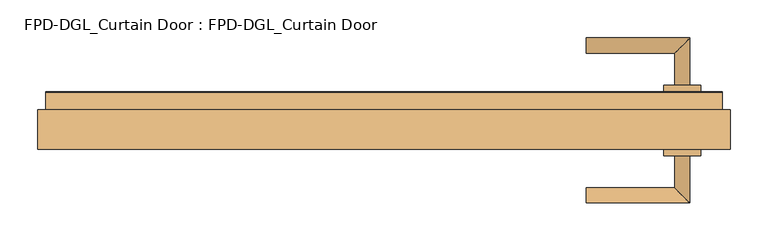
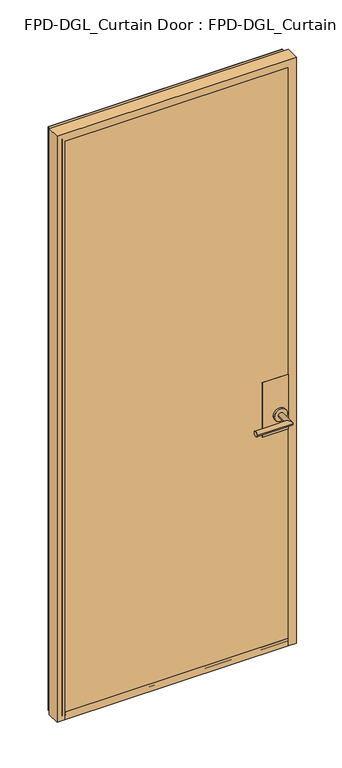
"""IFC4 building model written with IfcOpenShell, lengths in millimetres: door geometry, FPD-DGL_Curtain Door : FPD-DGL_Curtain Door."""

from ifc_helpers import new_model, si_unit, point, frame, frame_2d, origin, place, context, project, spatial, polyline, circle_curve, ellipse_curve, trimmed, segment, composite_curve, outline, extrude, source, transform, mapped, element, save
from ifc_brep_helpers import plane_surface, cylinder_surface, revolved_surface, advanced_brep


def fpd_dgl_curtain_door_fpd_dgl_curtain_door_c1a5e61f(model_context):
    return source(origin(), model_context, "Body", "SolidModel", [
        advanced_brep(
        [(267.6682236, 120.9184274, 965.2), (267.6682236, 140.990371, 965.2), (384.517864, 120.9184274, 965.2), (404.5898076, 140.990371, 965.2), (384.517864, 78.2841787, 965.2), (404.5898076, 78.2841787, 965.2)],
        [
            (0, 1, circle_curve(frame((267.6682236, 130.9543992, 965.2), z_axis=(-1.0, 0.0, 0.0), x_axis=(0.0, 1.0, 0.0)), 10.0359718)),
            (1, 0, circle_curve(frame((267.6682236, 130.9543992, 965.2), z_axis=(-1.0, 0.0, 0.0), x_axis=(0.0, 1.0, 0.0)), 10.0359718)),
            (0, 2),
            (2, 3, ellipse_curve(frame((394.5538358, 130.9543992, 965.2), z_axis=(-0.7071067811865464, 0.7071067811865488, 0.0), x_axis=(-0.7071067811865487, -0.7071067811865464, 0.0)), 14.1930074, 10.0359718)),
            (3, 1),
            (3, 2, ellipse_curve(frame((394.5538358, 130.9543992, 965.2), z_axis=(-0.7071067811865464, 0.7071067811865488, 0.0), x_axis=(-0.7071067811865487, -0.7071067811865464, 0.0)), 14.1930074, 10.0359718)),
            (4, 5, circle_curve(frame((394.5538358, 78.2841787, 965.2), z_axis=(0.0, -1.0, 0.0), x_axis=(1.0, 0.0, 0.0)), 10.0359718)),
            (5, 4, circle_curve(frame((394.5538358, 78.2841787, 965.2), z_axis=(0.0, -1.0, 0.0), x_axis=(1.0, 0.0, 0.0)), 10.0359718)),
            (2, 4),
            (5, 3),
        ],
        [
            plane_surface(frame((267.6682236, 130.9543992, 965.2), z_axis=(-1.0, 0.0, 0.0), x_axis=(0.0, 0.0, 1.0))),
            cylinder_surface(frame((267.6682236, 130.9543992, 965.2), z_axis=(-1.0, 0.0, 0.0), x_axis=(0.0, 1.0, 0.0)), 10.0359718),
            plane_surface(frame((394.5538358, 78.2841787, 965.2), z_axis=(0.0, -1.0, 0.0), x_axis=(0.0, 0.0, 1.0))),
            cylinder_surface(frame((394.5538358, 130.9543992, 965.2), z_axis=(0.0, 1.0, 0.0), x_axis=(1.0, 0.0, 0.0)), 10.0359718),
        ],
        [
            (0, [[1, 2]]),
            (1, [[-1, 3, 4, 5]]),
            (1, [[-2, -5, 6, -3]]),
            (2, [[7, 8]]),
            (3, [[-4, 9, -8, 10]]),
            (3, [[-6, -10, -7, -9]]),
        ],
    ),
        advanced_brep(
        [(384.517864, -14.5799066, 965.2), (404.5898076, -14.5799066, 965.2), (384.517864, -57.2141553, 965.2), (404.5898076, -77.2860989, 965.2), (267.6682236, -57.2141553, 965.2), (267.6682236, -77.2860989, 965.2)],
        [
            (0, 1, circle_curve(frame((394.5538358, -14.5799066, 965.2), z_axis=(0.0, 1.0, 0.0), x_axis=(1.0, 0.0, 0.0)), 10.0359718)),
            (1, 0, circle_curve(frame((394.5538358, -14.5799066, 965.2), z_axis=(0.0, 1.0, 0.0), x_axis=(1.0, 0.0, 0.0)), 10.0359718)),
            (0, 2),
            (2, 3, ellipse_curve(frame((394.5538358, -67.2501271, 965.2), z_axis=(0.7071067811865487, 0.7071067811865464, 0.0), x_axis=(-0.7071067811865464, 0.7071067811865487, 0.0)), 14.1930074, 10.0359718)),
            (3, 1),
            (3, 2, ellipse_curve(frame((394.5538358, -67.2501271, 965.2), z_axis=(0.7071067811865487, 0.7071067811865464, 0.0), x_axis=(-0.7071067811865464, 0.7071067811865487, 0.0)), 14.1930074, 10.0359718)),
            (4, 5, circle_curve(frame((267.6682236, -67.2501271, 965.2), z_axis=(-1.0, 0.0, 0.0), x_axis=(0.0, -1.0, 0.0)), 10.0359718)),
            (5, 4, circle_curve(frame((267.6682236, -67.2501271, 965.2), z_axis=(-1.0, 0.0, 0.0), x_axis=(0.0, -1.0, 0.0)), 10.0359718)),
            (2, 4),
            (5, 3),
        ],
        [
            plane_surface(frame((394.5538358, -14.5799066, 965.2), z_axis=(0.0, 1.0, 0.0), x_axis=(0.0, 0.0, 1.0))),
            cylinder_surface(frame((394.5538358, -14.5799066, 965.2), z_axis=(0.0, 1.0, 0.0), x_axis=(1.0, 0.0, 0.0)), 10.0359718),
            plane_surface(frame((267.6682236, -67.2501271, 965.2), z_axis=(-1.0, 0.0, 0.0), x_axis=(0.0, 0.0, 1.0))),
            cylinder_surface(frame((394.5538358, -67.2501271, 965.2), z_axis=(1.0, 0.0, 0.0), x_axis=(0.0, -1.0, 0.0)), 10.0359718),
        ],
        [
            (0, [[1, 2]]),
            (1, [[-1, 3, 4, 5]]),
            (1, [[-2, -5, 6, -3]]),
            (2, [[7, 8]]),
            (3, [[-4, 9, -8, 10]]),
            (3, [[-6, -10, -7, -9]]),
        ],
    ),
        extrude(outline(composite_curve([segment(trimmed(circle_curve(frame_2d((965.2, 394.5538358)), 24.60625), [point((965.2, 369.9475858))], [point((965.2, 419.1600858))], False, "CARTESIAN"), True, "CONTINUOUS"), segment(trimmed(circle_curve(frame_2d((965.2, 394.5538358)), 24.60625), [point((965.2, 419.1600858))], [point((965.2, 369.9475858))], False, "CARTESIAN"), True, "CONTINUOUS")], self_intersect=False)), frame((0.0, -14.5799066, 0.0), z_axis=(0.0, 1.0, 0.0), x_axis=(0.0, 0.0, 1.0)), (0.0, 0.0, 1.0), 8.3298107),
        extrude(outline(composite_curve([segment(trimmed(circle_curve(frame_2d((965.2, 394.5538358)), 24.60625), [point((965.2, 369.9475858))], [point((965.2, 419.1600858))], False, "CARTESIAN"), True, "CONTINUOUS"), segment(trimmed(circle_curve(frame_2d((965.2, 394.5538358)), 24.60625), [point((965.2, 419.1600858))], [point((965.2, 369.9475858))], False, "CARTESIAN"), True, "CONTINUOUS")], self_intersect=False)), frame((0.0, 69.9499024, 0.0), z_axis=(0.0, 1.0, 0.0), x_axis=(0.0, 0.0, 1.0)), (0.0, 0.0, 1.0), 8.3342763),
        extrude(outline(polyline([(428.0538958, -6.2500959), (328.0537832, -6.2500959), (328.0537832, -4.8500989), (428.0538958, -4.8500989), (428.0538958, -6.2500959)])), frame((0.0, 0.0, 893.55), z_axis=(0.0, 0.0, 1.0), x_axis=(1.0, 0.0, 0.0)), (0.0, 0.0, 1.0), 220.0),
        extrude(outline(polyline([(428.0538958, 68.5499054), (328.0537832, 68.5499054), (328.0537832, 69.9499024), (428.0538958, 69.9499024), (428.0538958, 68.5499054)])), frame((0.0, 0.0, 893.55), z_axis=(0.0, 0.0, 1.0), x_axis=(1.0, 0.0, 0.0)), (0.0, 0.0, 1.0), 220.0),
        extrude(outline(polyline([(-438.6500669, 59.8530481), (-438.6500669, 68.5499054), (438.6500669, 68.5499054), (438.6500669, 59.8530481), (-438.6500669, 59.8530481)])), frame((0.0, 0.0, 35.2749614), z_axis=(0.0, 0.0, 1.0), x_axis=(1.0, 0.0, 0.0)), (0.0, 0.0, 1.0), 2331.339864),
        extrude(outline(polyline([(438.6500669, 3.6737602), (438.6500669, -5.0230971), (-438.6500669, -5.0230971), (-438.6500669, 3.6737602), (438.6500669, 3.6737602)])), frame((0.0, 0.0, 35.2749614), z_axis=(0.0, 0.0, 1.0), x_axis=(1.0, 0.0, 0.0)), (0.0, 0.0, 1.0), 2331.339864),
        advanced_brep(
        [(458.0430592, -6.3231917, 15.875), (428.0538958, -6.3231917, 15.875), (428.0538958, -5.023661, 15.875), (438.650067, -5.023661, 15.875), (438.650067, 3.673196, 15.875), (428.0538958, 3.673196, 15.875), (428.0538958, 59.8530481, 15.875), (438.6500669, 59.8530481, 15.875), (438.6500669, 68.5499054, 15.875), (428.0538958, 68.5499054, 15.875), (428.0538958, 69.8494357, 15.875), (446.9286859, 69.8494357, 15.875), (447.7283969, 69.0497247, 15.875), (447.7283969, 45.7001736, 15.875), (458.0430592, 45.7001736, 15.875), (458.0430592, -6.3231917, 2386.0078176), (-458.0430592, -6.3231917, 2386.0078176), (-458.0430592, -6.3231917, 15.875), (-428.0538958, -6.3231917, 15.875), (-428.0538958, -6.3231917, 2356.0186542), (428.0538958, -6.3231917, 2356.0186542), (428.0538958, -5.023661, 2356.0186542), (-428.0538958, -5.023661, 2356.0186542), (-428.0538958, -5.023661, 15.875), (-438.650067, -5.023661, 15.875), (-438.650067, -5.023661, 2366.6148254), (438.650067, -5.023661, 2366.6148254), (438.650067, 3.673196, 2366.6148254), (-438.650067, 3.673196, 2366.6148254), (-438.650067, 3.673196, 15.875), (-428.0538958, 3.673196, 15.875), (-428.0538958, 3.673196, 2356.0186542), (428.0538958, 3.673196, 2356.0186542), (428.0538958, 59.8530481, 2356.0186542), (-428.0538958, 59.8530481, 2356.0186542), (-428.0538958, 59.8530481, 15.875), (-438.6500669, 59.8530481, 15.875), (-438.6500669, 59.8530481, 2366.6148253), (438.6500669, 59.8530481, 2366.6148253), (438.6500669, 68.5499054, 2366.6148253), (-438.6500669, 68.5499054, 2366.6148253), (-438.6500669, 68.5499054, 15.875), (-428.0538958, 68.5499054, 15.875), (-428.0538958, 68.5499054, 2356.0186542), (428.0538958, 68.5499054, 2356.0186542), (428.0538958, 69.8494357, 2356.0186542), (-428.0538958, 69.8494357, 2356.0186542), (-428.0538958, 69.8494357, 15.875), (-446.9286859, 69.8494357, 15.875), (-446.9286859, 69.8494357, 2374.8934443), (446.9286859, 69.8494357, 2374.8934443), (447.7283969, 69.0497247, 2375.6931553), (447.7283969, 45.7001736, 2375.6931553), (-447.7283969, 45.7001736, 2375.6931553), (-447.7283969, 45.7001736, 15.875), (-458.0430592, 45.7001736, 15.875), (-458.0430592, 45.7001736, 2386.0078176), (458.0430592, 45.7001736, 2386.0078176), (-447.7283969, 69.0497247, 15.875), (-447.7283969, 69.0497247, 2375.6931553)],
        [
            (0, 1),
            (1, 2),
            (2, 3),
            (3, 4),
            (4, 5),
            (5, 6),
            (6, 7),
            (7, 8),
            (8, 9),
            (9, 10),
            (10, 11),
            (11, 12, circle_curve(frame((446.9286859, 69.0497247, 15.875), z_axis=(0.0, 0.0, -1.0), x_axis=(0.0, -1.0, 0.0)), 0.799711)),
            (12, 13),
            (13, 14),
            (14, 0),
            (0, 15),
            (15, 16),
            (16, 17),
            (17, 18),
            (18, 19),
            (19, 20),
            (20, 1),
            (20, 21),
            (21, 2),
            (21, 22),
            (22, 23),
            (23, 24),
            (24, 25),
            (25, 26),
            (26, 3),
            (26, 27),
            (27, 4),
            (27, 28),
            (28, 29),
            (29, 30),
            (30, 31),
            (31, 32),
            (32, 5),
            (32, 33),
            (33, 6),
            (33, 34),
            (34, 35),
            (35, 36),
            (36, 37),
            (37, 38),
            (38, 7),
            (38, 39),
            (39, 8),
            (39, 40),
            (40, 41),
            (41, 42),
            (42, 43),
            (43, 44),
            (44, 9),
            (44, 45),
            (45, 10),
            (45, 46),
            (46, 47),
            (47, 48),
            (48, 49),
            (49, 50),
            (50, 11),
            (50, 51, ellipse_curve(frame((446.9286859, 69.0497247, 2374.8934443), z_axis=(0.7071067811865475, 0.0, -0.7071067811865475), x_axis=(-0.7071067811865474, 0.0, -0.7071067811865476)), 1.1309622, 0.799711)),
            (51, 12),
            (51, 52),
            (52, 13),
            (52, 53),
            (53, 54),
            (54, 55),
            (55, 56),
            (56, 57),
            (57, 14),
            (57, 15),
            (16, 56),
            (55, 17),
            (54, 58),
            (58, 48, circle_curve(frame((-446.9286859, 69.0497247, 15.875), z_axis=(0.0, 0.0, -1.0), x_axis=(0.0, -1.0, 0.0)), 0.799711)),
            (47, 42),
            (41, 36),
            (35, 30),
            (29, 24),
            (23, 18),
            (22, 19),
            (28, 25),
            (34, 31),
            (40, 37),
            (46, 43),
            (59, 49, ellipse_curve(frame((-446.9286859, 69.0497247, 2374.8934443), z_axis=(-0.7071067811865475, 0.0, -0.7071067811865475), x_axis=(-0.7071067811865474, 0.0, 0.7071067811865476)), 1.1309622, 0.799711)),
            (58, 59),
            (53, 59),
            (59, 51),
        ],
        [
            plane_surface(frame((458.0430592, 31.7634041, 15.875), z_axis=(0.0, 0.0, -1.0), x_axis=(0.0, -1.0, 0.0))),
            plane_surface(frame((458.0430592, -6.3231917, 15.875), z_axis=(0.0, -1.0, 0.0), x_axis=(0.0, 0.0, 1.0))),
            plane_surface(frame((428.0538958, -6.3231917, 15.875), z_axis=(-1.0, 0.0, 0.0), x_axis=(0.0, 0.0, 1.0))),
            plane_surface(frame((428.0538958, -5.023661, 15.875), z_axis=(0.0, 1.0, 0.0), x_axis=(0.0, 0.0, 1.0))),
            plane_surface(frame((438.650067, -5.023661, 15.875), z_axis=(-1.0, 0.0, 0.0), x_axis=(0.0, 0.0, 1.0))),
            plane_surface(frame((438.650067, 3.673196, 15.875), z_axis=(0.0, -1.0, 0.0), x_axis=(0.0, 0.0, 1.0))),
            plane_surface(frame((428.0538958, 3.673196, 15.875), z_axis=(-1.0, 0.0, 0.0), x_axis=(0.0, 0.0, 1.0))),
            plane_surface(frame((428.0538958, 59.8530481, 15.875), z_axis=(0.0, 1.0, 0.0), x_axis=(0.0, 0.0, 1.0))),
            plane_surface(frame((438.6500669, 59.8530481, 15.875), z_axis=(-1.0, 0.0, 0.0), x_axis=(0.0, 0.0, 1.0))),
            plane_surface(frame((438.6500669, 68.5499054, 15.875), z_axis=(0.0, -1.0, 0.0), x_axis=(0.0, 0.0, 1.0))),
            plane_surface(frame((428.0538958, 68.5499054, 15.875), z_axis=(-1.0, 0.0, 0.0), x_axis=(0.0, 0.0, 1.0))),
            plane_surface(frame((428.0538958, 69.8494357, 15.875), z_axis=(0.0, 1.0, 0.0), x_axis=(0.0, 0.0, 1.0))),
            cylinder_surface(frame((446.9286859, 69.0497247, 15.875), z_axis=(0.0, 0.0, -1.0), x_axis=(0.0, -1.0, 0.0)), 0.799711),
            plane_surface(frame((447.7283969, 69.0497247, 15.875), z_axis=(1.0, 0.0, 0.0), x_axis=(0.0, 0.0, 1.0))),
            plane_surface(frame((447.7283969, 45.7001736, 15.875), z_axis=(0.0, 1.0, 0.0), x_axis=(0.0, 0.0, 1.0))),
            plane_surface(frame((458.0430592, 45.7001736, 15.875), z_axis=(1.0, 0.0, 0.0), x_axis=(0.0, 0.0, 1.0))),
            plane_surface(frame((-458.0430592, 45.7001736, 2386.0078176), z_axis=(-1.0, 0.0, 0.0), x_axis=(0.0, 0.0, -1.0))),
            plane_surface(frame((-458.0430592, 31.7634041, 15.875), z_axis=(0.0, 0.0, -1.0), x_axis=(0.0, -1.0, 0.0))),
            plane_surface(frame((-428.0538958, -6.3231917, 2356.0186542), z_axis=(1.0, 0.0, 0.0), x_axis=(0.0, 0.0, -1.0))),
            plane_surface(frame((-438.650067, -5.023661, 2366.6148254), z_axis=(1.0, 0.0, 0.0), x_axis=(0.0, 0.0, -1.0))),
            plane_surface(frame((-428.0538958, 3.673196, 2356.0186542), z_axis=(1.0, 0.0, 0.0), x_axis=(0.0, 0.0, -1.0))),
            plane_surface(frame((-438.6500669, 59.8530481, 2366.6148253), z_axis=(1.0, 0.0, 0.0), x_axis=(0.0, 0.0, -1.0))),
            plane_surface(frame((-428.0538958, 68.5499054, 2356.0186542), z_axis=(1.0, 0.0, 0.0), x_axis=(0.0, 0.0, -1.0))),
            cylinder_surface(frame((-446.9286859, 69.0497247, 2386.0078176), z_axis=(0.0, 0.0, 1.0), x_axis=(0.0, -1.0, 0.0)), 0.799711),
            plane_surface(frame((-447.7283969, 69.0497247, 2375.6931553), z_axis=(-1.0, 0.0, 0.0), x_axis=(0.0, 0.0, -1.0))),
            plane_surface(frame((428.0538958, -6.3231917, 2356.0186542), z_axis=(0.0, 0.0, -1.0), x_axis=(-1.0, 0.0, 0.0))),
            plane_surface(frame((438.650067, -5.023661, 2366.6148254), z_axis=(0.0, 0.0, -1.0), x_axis=(-1.0, 0.0, 0.0))),
            plane_surface(frame((428.0538958, 3.673196, 2356.0186542), z_axis=(0.0, 0.0, -1.0), x_axis=(-1.0, 0.0, 0.0))),
            plane_surface(frame((438.6500669, 59.8530481, 2366.6148253), z_axis=(0.0, 0.0, -1.0), x_axis=(-1.0, 0.0, 0.0))),
            plane_surface(frame((428.0538958, 68.5499054, 2356.0186542), z_axis=(0.0, 0.0, -1.0), x_axis=(-1.0, 0.0, 0.0))),
            cylinder_surface(frame((458.0430592, 69.0497247, 2374.8934443), z_axis=(1.0, 0.0, 0.0), x_axis=(0.0, -1.0, 0.0)), 0.799711),
            plane_surface(frame((447.7283969, 69.0497247, 2375.6931553), z_axis=(0.0, 0.0, 1.0), x_axis=(-1.0, 0.0, 0.0))),
            plane_surface(frame((458.0430592, 45.7001736, 2386.0078176), z_axis=(0.0, 0.0, 1.0), x_axis=(-1.0, 0.0, 0.0))),
        ],
        [
            (0, [[1, 2, 3, 4, 5, 6, 7, 8, 9, 10, 11, 12, 13, 14, 15]]),
            (1, [[-1, 16, 17, 18, 19, 20, 21, 22]]),
            (2, [[-2, -22, 23, 24]]),
            (3, [[-3, -24, 25, 26, 27, 28, 29, 30]]),
            (4, [[-4, -30, 31, 32]]),
            (5, [[-5, -32, 33, 34, 35, 36, 37, 38]]),
            (6, [[-6, -38, 39, 40]]),
            (7, [[-7, -40, 41, 42, 43, 44, 45, 46]]),
            (8, [[-8, -46, 47, 48]]),
            (9, [[-9, -48, 49, 50, 51, 52, 53, 54]]),
            (10, [[-10, -54, 55, 56]]),
            (11, [[-11, -56, 57, 58, 59, 60, 61, 62]]),
            (12, [[-12, -62, 63, 64]]),
            (13, [[-13, -64, 65, 66]]),
            (14, [[-14, -66, 67, 68, 69, 70, 71, 72]]),
            (15, [[-15, -72, 73, -16]]),
            (16, [[74, -70, 75, -18]]),
            (17, [[-75, -69, 76, 77, -59, 78, -51, 79, -43, 80, -35, 81, -27, 82, -19]]),
            (18, [[83, -20, -82, -26]]),
            (19, [[84, -28, -81, -34]]),
            (20, [[85, -36, -80, -42]]),
            (21, [[86, -44, -79, -50]]),
            (22, [[87, -52, -78, -58]]),
            (23, [[88, -60, -77, 89]]),
            (24, [[90, -89, -76, -68]]),
            (25, [[-23, -21, -83, -25]]),
            (26, [[-31, -29, -84, -33]]),
            (27, [[-39, -37, -85, -41]]),
            (28, [[-47, -45, -86, -49]]),
            (29, [[-55, -53, -87, -57]]),
            (30, [[-63, -61, -88, 91]]),
            (31, [[-65, -91, -90, -67]]),
            (32, [[-73, -71, -74, -17]]),
        ],
    ),
        advanced_brep(
        [(428.0538958, 59.877892, 45.8749402), (428.0538958, 3.6778424, 45.8749402), (428.0538958, 3.6778424, 35.2749614), (428.0538958, -4.5221409, 35.2749614), (428.0538958, -5.0221399, 35.7749604), (428.0538958, -5.0221402, 43.0952793), (428.0538958, -4.9221405, 44.0749436), (428.0538958, -4.9221405, 45.8749402), (428.0538958, -6.3221375, 45.8749402), (428.0538958, -6.3221375, 15.875), (428.0538958, 69.0778641, 15.875), (428.0538958, 69.8778625, 16.6749984), (428.0538958, 69.8778625, 45.8749402), (428.0538958, 68.4778654, 45.8749402), (428.0538958, 68.4778654, 44.0749434), (428.0538958, 68.5778651, 43.0952791), (428.0538958, 68.5778651, 35.2749613), (428.0538958, 59.877892, 35.2749613), (-428.3313169, 59.877892, 45.8749402), (-428.3313169, 59.877892, 35.2749613), (-428.3313169, 68.5778651, 35.2749613), (-428.3313169, 68.5778651, 43.0952791), (-428.3313169, 68.4778654, 44.0749434), (-428.3313169, 68.4778654, 45.8749402), (-428.3313169, 69.8778625, 45.8749402), (-428.3313169, 69.8778625, 16.6749984), (-428.3313169, 69.0778641, 15.875), (-428.3313169, -6.3221375, 15.875), (-428.3313169, -6.3221375, 45.8749402), (-428.3313169, -4.9221405, 45.8749402), (-428.3313169, -4.9221405, 44.0749436), (-428.3313169, -5.0221402, 43.0952793), (-428.3313169, -5.0221402, 35.7749604), (-428.3313169, -4.5221409, 35.2749614), (-428.3313169, 3.6778424, 35.2749614), (-428.3313169, 3.6778424, 45.8749402)],
        [
            (0, 1),
            (1, 2),
            (2, 3),
            (3, 4, circle_curve(frame((428.0538958, -4.5221409, 35.7749604), z_axis=(-1.0, 0.0, 0.0), x_axis=(0.0, 0.0, -1.0)), 0.499999)),
            (4, 5),
            (5, 6),
            (6, 7),
            (7, 8),
            (8, 9),
            (9, 10),
            (10, 11, circle_curve(frame((428.0538958, 69.0778641, 16.6749984), z_axis=(1.0, 0.0, 0.0), x_axis=(0.0, 0.0, -1.0)), 0.7999984)),
            (11, 12),
            (12, 13),
            (13, 14),
            (14, 15),
            (15, 16),
            (16, 17),
            (17, 0),
            (18, 19),
            (19, 20),
            (20, 21),
            (21, 22),
            (22, 23),
            (23, 24),
            (24, 25),
            (25, 26, circle_curve(frame((-428.3313169, 69.0778641, 16.6749984), z_axis=(-1.0, 0.0, 0.0), x_axis=(0.0, 0.0, -1.0)), 0.7999984)),
            (26, 27),
            (27, 28),
            (28, 29),
            (29, 30),
            (30, 31),
            (31, 32),
            (32, 33, circle_curve(frame((-428.3313169, -4.5221409, 35.7749604), z_axis=(1.0, 0.0, 0.0), x_axis=(0.0, 0.0, -1.0)), 0.499999)),
            (33, 34),
            (34, 35),
            (35, 18),
            (0, 18),
            (35, 1),
            (34, 2),
            (33, 3),
            (32, 4),
            (31, 5),
            (30, 6),
            (29, 7),
            (28, 8),
            (27, 9),
            (26, 10),
            (25, 11),
            (24, 12),
            (23, 13),
            (22, 14),
            (21, 15),
            (20, 16),
            (19, 17),
        ],
        [
            plane_surface(frame((428.0538958, 31.7634041, 15.875), z_axis=(1.0, 0.0, 0.0), x_axis=(0.0, -1.0, 0.0))),
            plane_surface(frame((-428.3313169, 31.7634041, 15.875), z_axis=(-1.0, 0.0, 0.0), x_axis=(0.0, -1.0, 0.0))),
            plane_surface(frame((428.0538958, 59.877892, 45.8749402), z_axis=(0.0, 0.0, 1.0), x_axis=(-1.0, 0.0, 0.0))),
            plane_surface(frame((428.0538958, 3.6778424, 45.8749402), z_axis=(0.0, -1.0, 0.0), x_axis=(-1.0, 0.0, 0.0))),
            plane_surface(frame((428.0538958, 3.6778424, 35.2749614), z_axis=(0.0, 0.0, 1.0), x_axis=(-1.0, 0.0, 0.0))),
            revolved_surface(polyline([(-428.3313169, -4.5221409, 35.274961399999995), (428.0538958, -4.5221409, 35.274961399999995)]), (428.0538958, -4.5221409, 35.7749604), (-1.0, 0.0, 0.0)),
            plane_surface(frame((428.0538958, -5.0221402, 35.7749604), z_axis=(0.0, 1.0, 0.0), x_axis=(-1.0, 0.0, 0.0))),
            plane_surface(frame((428.0538958, -5.0221402, 43.0952793), z_axis=(0.0, 0.9948306566600448, -0.10154784374541988), x_axis=(-1.0, 0.0, 0.0))),
            plane_surface(frame((428.0538958, -4.9221405, 44.0749436), z_axis=(0.0, 1.0, 0.0), x_axis=(-1.0, 0.0, 0.0))),
            plane_surface(frame((428.0538958, -4.9221405, 45.8749402), z_axis=(0.0, 0.0, 1.0), x_axis=(-1.0, 0.0, 0.0))),
            plane_surface(frame((428.0538958, -6.3221375, 45.8749402), z_axis=(0.0, -1.0, 0.0), x_axis=(-1.0, 0.0, 0.0))),
            plane_surface(frame((428.0538958, -6.3221375, 15.875), z_axis=(0.0, 0.0, -1.0), x_axis=(-1.0, 0.0, 0.0))),
            cylinder_surface(frame((428.0538958, 69.0778641, 16.6749984), z_axis=(1.0, 0.0, 0.0), x_axis=(0.0, 0.0, -1.0)), 0.7999984),
            plane_surface(frame((428.0538958, 69.8778625, 16.6749984), z_axis=(0.0, 1.0, 0.0), x_axis=(-1.0, 0.0, 0.0))),
            plane_surface(frame((428.0538958, 69.8778625, 45.8749402), z_axis=(0.0, 0.0, 1.0), x_axis=(-1.0, 0.0, 0.0))),
            plane_surface(frame((428.0538958, 68.4778654, 45.8749402), z_axis=(0.0, -1.0, 0.0), x_axis=(-1.0, 0.0, 0.0))),
            plane_surface(frame((428.0538958, 68.4778654, 44.0749434), z_axis=(0.0, -0.9948306566625575, -0.10154784372080249), x_axis=(-1.0, 0.0, 0.0))),
            plane_surface(frame((428.0538958, 68.5778651, 43.0952791), z_axis=(0.0, -1.0, 0.0), x_axis=(-1.0, 0.0, 0.0))),
            plane_surface(frame((428.0538958, 68.5778651, 35.2749613), z_axis=(0.0, 0.0, 1.0), x_axis=(-1.0, 0.0, 0.0))),
            plane_surface(frame((428.0538958, 59.877892, 35.2749613), z_axis=(0.0, 1.0, 0.0), x_axis=(-1.0, 0.0, 0.0))),
        ],
        [
            (0, [[1, 2, 3, 4, 5, 6, 7, 8, 9, 10, 11, 12, 13, 14, 15, 16, 17, 18]]),
            (1, [[19, 20, 21, 22, 23, 24, 25, 26, 27, 28, 29, 30, 31, 32, 33, 34, 35, 36]]),
            (2, [[-1, 37, -36, 38]]),
            (3, [[-2, -38, -35, 39]]),
            (4, [[-3, -39, -34, 40]]),
            (5, [[-4, -40, -33, 41]]),
            (6, [[-5, -41, -32, 42]]),
            (7, [[-6, -42, -31, 43]]),
            (8, [[-7, -43, -30, 44]]),
            (9, [[-8, -44, -29, 45]]),
            (10, [[-9, -45, -28, 46]]),
            (11, [[-10, -46, -27, 47]]),
            (12, [[-11, -47, -26, 48]]),
            (13, [[-12, -48, -25, 49]]),
            (14, [[-13, -49, -24, 50]]),
            (15, [[-14, -50, -23, 51]]),
            (16, [[-15, -51, -22, 52]]),
            (17, [[-16, -52, -21, 53]]),
            (18, [[-17, -53, -20, 54]]),
            (19, [[-18, -54, -19, -37]]),
        ],
    ),
    ])


if __name__ == "__main__":
    model = new_model("IFC4")
    model_context = context("Model", 3, world=origin())
    ifc_project = project(units=[si_unit("LENGTHUNIT", "METRE", prefix="MILLI")], contexts=[model_context])
    site = spatial("IfcSite", under=ifc_project)
    building = spatial("IfcBuilding", under=site)
    placement = place(None, origin())
    fpd_dgl_curtain_door_fpd_dgl_curtain_door_shape = fpd_dgl_curtain_door_fpd_dgl_curtain_door_c1a5e61f(model_context)
    element("IfcDoor", 1, ObjectType="FPD-DGL_Curtain Door : FPD-DGL_Curtain Door", at=placement, inside=building, context=model_context, shape_type="MappedRepresentation", body=[
        mapped(fpd_dgl_curtain_door_fpd_dgl_curtain_door_shape, transform((0.0, 0.0, 0.0), x_axis=(1.0, 0.0, 0.0), y_axis=(0.0, 1.0, 0.0), z_axis=(0.0, 0.0, 1.0))),
    ])
    save(model, "model.ifc")
